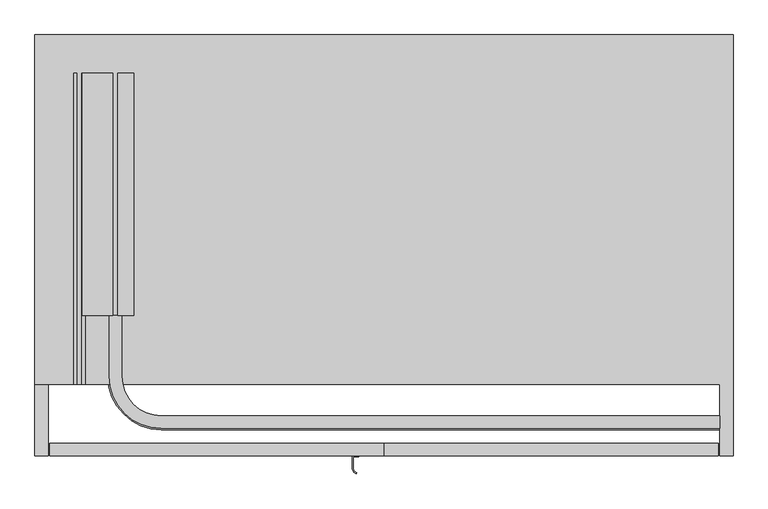
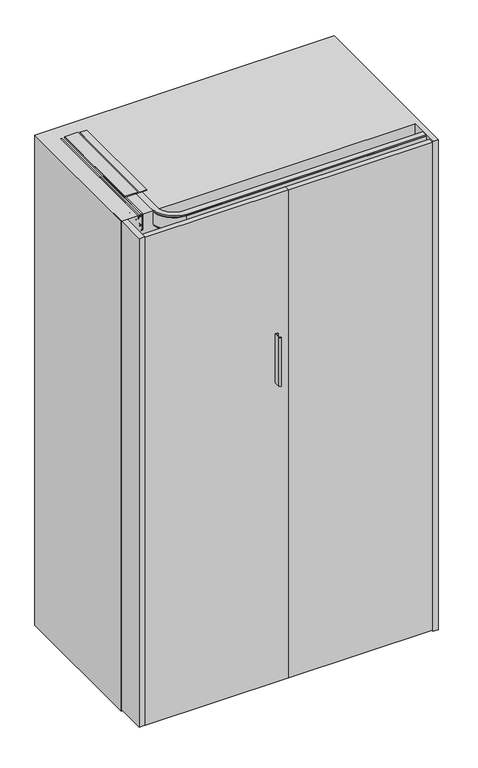
"""IFC4 building model written with IfcOpenShell, lengths in millimetres: furniture geometry."""

from ifc_helpers import new_model, si_unit, point, frame, frame_2d, origin, origin_with_axes, place, context, project, spatial, polyline, circle_curve, trimmed, segment, composite_curve, outline, extrude, faceted_brep, source, transform, mapped, element, save
from ifc_brep_helpers import plane_surface, cylinder_surface, revolved_surface, advanced_brep


def furniture_057ac0ac(model_context):
    return source(origin(), model_context, "Body", "SolidModel", [
        extrude(outline(composite_curve([segment(polyline([(346.0, -108.5), (346.0, -125.5188318)]), True, "CONTINUOUS"), segment(trimmed(circle_curve(frame_2d((352.9852814, -125.5188318)), 6.9852814), [point((346.0, -125.5188318))], [point((351.1773575, -132.2660955))], True, "CARTESIAN"), True, "CONTINUOUS"), segment(polyline([(351.1773575, -132.2660955), (350.789129, -133.7149843)]), True, "CONTINUOUS"), segment(trimmed(circle_curve(frame_2d((352.9852814, -125.5188318)), 8.4852814), [point((350.789129, -133.7149843))], [point((344.5, -125.5188318))], False, "CARTESIAN"), True, "CONTINUOUS"), segment(polyline([(344.5, -125.5188318), (344.5, -107.0), (354.5, -107.0), (354.5, -108.5), (346.0, -108.5)]), True, "CONTINUOUS")], self_intersect=False)), frame((0.0, 0.0, 1110.0), z_axis=(0.0, 0.0, 1.0), x_axis=(1.0, 0.0, 0.0)), (0.0, 0.0, 1.0), 180.0),
        extrude(outline(polyline([(1807.9932635, 18.0), (1807.9932635, -6.170682), (1804.7432635, -6.170682), (1804.7432635, -3.85), (1802.2932635, -3.85), (1802.2932635, -15.85), (1804.7432635, -15.85), (1804.7432635, -13.6), (1810.9932635, -13.6), (1810.9932635, -59.4403391), (1807.0, -56.6442259), (1807.0, -60.2560852), (1801.0432635, -60.2560852), (1801.0432635, -58.0), (1798.7432635, -58.0), (1798.7432635, -70.0), (1801.0432635, -70.0), (1801.0432635, -67.75), (1803.6432635, -67.75), (1803.6432635, -72.0), (1795.3932635, -72.0), (1795.3932635, -67.5), (1792.7432635, -67.5), (1792.7432635, -69.75), (1790.7432635, -69.75), (1790.7432635, -58.25), (1792.7432635, -58.25), (1792.7432635, -60.5), (1795.3932635, -60.5), (1795.3932635, -55.0), (1807.0, -55.0), (1807.0, -20.85), (1752.9932635, -20.85), (1752.9932635, -14.4), (1759.2932635, -8.1), (1760.7932635, -8.1), (1760.7932635, -18.1), (1798.3932635, -18.1), (1798.3932635, -3.85), (1791.8932635, -3.85), (1791.8932635, 0.0), (1804.0042028, 0.0), (1804.0042028, 18.0), (1807.9932635, 18.0)])), frame((0.0, 102.7851791, 0.0), z_axis=(0.0, 1.0, 0.0), x_axis=(0.0, 0.0, 1.0)), (0.0, 0.0, 1.0), 363.2148209),
        advanced_brep(
        [(894.0, -47.150158, 1791.899902), (894.0, -47.150158, 1807.0), (894.0, -66.000134, 1807.0), (894.0, -66.000134, 1802.2), (894.0, -68.000134, 1802.2), (894.0, -68.000134, 1757.8), (894.0, -66.000134, 1757.8), (894.0, -66.000134, 1753.0), (894.0, -61.000134, 1753.0), (894.0, -61.000134, 1757.8), (894.0, -55.250134, 1757.8), (894.0, -55.250134, 1760.8), (894.0, -65.250134, 1760.8), (894.0, -65.250134, 1798.4), (894.0, -51.050134, 1798.4), (894.0, -51.050134, 1791.899902), (-2.4e-05, 102.7851791, 1791.899902), (-3.9, 102.7851791, 1791.899902), (-3.9, 102.7851791, 1798.4), (-18.1, 102.7851791, 1798.4), (-18.1, 102.7851791, 1760.8), (-8.1, 102.7851791, 1760.8), (-8.1, 102.7851791, 1757.8), (-13.85, 102.7851791, 1757.8), (-13.85, 102.7851791, 1753.0), (-18.85, 102.7851791, 1753.0), (-18.85, 102.7851791, 1757.8), (-20.85, 102.7851791, 1757.8), (-20.85, 102.7851791, 1802.2), (-18.85, 102.7851791, 1802.2), (-18.85, 102.7851791, 1807.0), (-2.4e-05, 102.7851791, 1807.0), (59.150134, -47.150158, 1791.899902), (59.150134, -47.150158, 1807.0), (-2.4e-05, 12.0, 1807.0), (-18.85, 12.0, 1807.0), (59.150134, -66.000134, 1807.0), (59.150134, -66.000134, 1802.2), (-18.85, 12.0, 1802.2), (-20.85, 12.0, 1802.2), (59.150134, -68.000134, 1802.2), (59.150134, -68.000134, 1757.8), (-20.85, 12.0, 1757.8), (-18.85, 12.0, 1757.8), (59.150134, -66.000134, 1757.8), (59.150134, -66.000134, 1753.0), (-18.85, 12.0, 1753.0), (-13.85, 12.0, 1753.0), (59.150134, -61.000134, 1753.0), (59.150134, -61.000134, 1757.8), (-13.85, 12.0, 1757.8), (-8.1, 12.0, 1757.8), (59.150134, -55.250134, 1757.8), (59.150134, -55.250134, 1760.8), (-8.1, 12.0, 1760.8), (-18.1, 12.0, 1760.8), (59.150134, -65.250134, 1760.8), (59.150134, -65.250134, 1798.4), (-18.1, 12.0, 1798.4), (-3.9, 12.0, 1798.4), (59.150134, -51.050134, 1798.4), (59.150134, -51.050134, 1791.899902), (-3.9, 12.0, 1791.899902), (-2.4e-05, 12.0, 1791.899902)],
        [
            (0, 1),
            (1, 2),
            (2, 3),
            (3, 4),
            (4, 5),
            (5, 6),
            (6, 7),
            (7, 8),
            (8, 9),
            (9, 10),
            (10, 11),
            (11, 12),
            (12, 13),
            (13, 14),
            (14, 15),
            (15, 0),
            (16, 17),
            (17, 18),
            (18, 19),
            (19, 20),
            (20, 21),
            (21, 22),
            (22, 23),
            (23, 24),
            (24, 25),
            (25, 26),
            (26, 27),
            (27, 28),
            (28, 29),
            (29, 30),
            (30, 31),
            (31, 16),
            (0, 32),
            (32, 33),
            (33, 1),
            (33, 34, circle_curve(frame((59.150134, 12.0, 1807.0), z_axis=(0.0, 0.0, -1.0), x_axis=(0.0, -1.0, 0.0)), 59.150158)),
            (34, 31),
            (30, 35),
            (35, 36, circle_curve(frame((59.150134, 12.0, 1807.0), z_axis=(0.0, 0.0, 1.0), x_axis=(0.0, -1.0, 0.0)), 78.000134)),
            (36, 2),
            (36, 37),
            (37, 3),
            (37, 38, circle_curve(frame((59.150134, 12.0, 1802.2), z_axis=(0.0, 0.0, -1.0), x_axis=(0.0, -1.0, 0.0)), 78.000134)),
            (38, 29),
            (28, 39),
            (39, 40, circle_curve(frame((59.150134, 12.0, 1802.2), z_axis=(0.0, 0.0, 1.0), x_axis=(0.0, -1.0, 0.0)), 80.000134)),
            (40, 4),
            (40, 41),
            (41, 5),
            (41, 42, circle_curve(frame((59.150134, 12.0, 1757.8), z_axis=(0.0, 0.0, -1.0), x_axis=(0.0, -1.0, 0.0)), 80.000134)),
            (42, 27),
            (26, 43),
            (43, 44, circle_curve(frame((59.150134, 12.0, 1757.8), z_axis=(0.0, 0.0, 1.0), x_axis=(0.0, -1.0, 0.0)), 78.000134)),
            (44, 6),
            (44, 45),
            (45, 7),
            (45, 46, circle_curve(frame((59.150134, 12.0, 1753.0), z_axis=(0.0, 0.0, -1.0), x_axis=(0.0, -1.0, 0.0)), 78.000134)),
            (46, 25),
            (24, 47),
            (47, 48, circle_curve(frame((59.150134, 12.0, 1753.0), z_axis=(0.0, 0.0, 1.0), x_axis=(0.0, -1.0, 0.0)), 73.000134)),
            (48, 8),
            (48, 49),
            (49, 9),
            (49, 50, circle_curve(frame((59.150134, 12.0, 1757.8), z_axis=(0.0, 0.0, -1.0), x_axis=(0.0, -1.0, 0.0)), 73.000134)),
            (50, 23),
            (22, 51),
            (51, 52, circle_curve(frame((59.150134, 12.0, 1757.8), z_axis=(0.0, 0.0, 1.0), x_axis=(0.0, -1.0, 0.0)), 67.250134)),
            (52, 10),
            (52, 53),
            (53, 11),
            (53, 54, circle_curve(frame((59.150134, 12.0, 1760.8), z_axis=(0.0, 0.0, -1.0), x_axis=(0.0, -1.0, 0.0)), 67.250134)),
            (54, 21),
            (20, 55),
            (55, 56, circle_curve(frame((59.150134, 12.0, 1760.8), z_axis=(0.0, 0.0, 1.0), x_axis=(0.0, -1.0, 0.0)), 77.250134)),
            (56, 12),
            (56, 57),
            (57, 13),
            (57, 58, circle_curve(frame((59.150134, 12.0, 1798.4), z_axis=(0.0, 0.0, -1.0), x_axis=(0.0, -1.0, 0.0)), 77.250134)),
            (58, 19),
            (18, 59),
            (59, 60, circle_curve(frame((59.150134, 12.0, 1798.4), z_axis=(0.0, 0.0, 1.0), x_axis=(0.0, -1.0, 0.0)), 63.050134)),
            (60, 14),
            (60, 61),
            (61, 15),
            (61, 62, circle_curve(frame((59.150134, 12.0, 1791.899902), z_axis=(0.0, 0.0, -1.0), x_axis=(0.0, -1.0, 0.0)), 63.050134)),
            (62, 17),
            (16, 63),
            (63, 32, circle_curve(frame((59.150134, 12.0, 1791.899902), z_axis=(0.0, 0.0, 1.0), x_axis=(0.0, -1.0, 0.0)), 59.150158)),
            (63, 34),
            (35, 38),
            (39, 42),
            (43, 46),
            (47, 50),
            (51, 54),
            (55, 58),
            (59, 62),
        ],
        [
            plane_surface(frame((894.0, -88.0, 1807.0), z_axis=(1.0, 0.0, 0.0), x_axis=(0.0, 0.0, 1.0))),
            plane_surface(frame((-40.849866, 102.7851791, 1807.0), z_axis=(0.0, 1.0, 0.0), x_axis=(0.0, 0.0, 1.0))),
            plane_surface(frame((894.0, -47.150158, 1791.899902), z_axis=(0.0, 1.0, 0.0), x_axis=(-1.0, 0.0, 0.0))),
            plane_surface(frame((894.0, -47.150158, 1807.0), z_axis=(0.0, 0.0, 1.0), x_axis=(-1.0, 0.0, 0.0))),
            plane_surface(frame((894.0, -66.000134, 1807.0), z_axis=(0.0, -1.0, 0.0), x_axis=(-1.0, 0.0, 0.0))),
            plane_surface(frame((894.0, -66.000134, 1802.2), z_axis=(0.0, 0.0, 1.0), x_axis=(-1.0, 0.0, 0.0))),
            plane_surface(frame((894.0, -68.000134, 1802.2), z_axis=(0.0, -1.0, 0.0), x_axis=(-1.0, 0.0, 0.0))),
            plane_surface(frame((894.0, -68.000134, 1757.8), z_axis=(0.0, 0.0, -1.0), x_axis=(-1.0, 0.0, 0.0))),
            plane_surface(frame((894.0, -66.000134, 1757.8), z_axis=(0.0, -1.0, 0.0), x_axis=(-1.0, 0.0, 0.0))),
            plane_surface(frame((894.0, -66.000134, 1753.0), z_axis=(0.0, 0.0, -1.0), x_axis=(-1.0, 0.0, 0.0))),
            plane_surface(frame((894.0, -61.000134, 1753.0), z_axis=(0.0, 1.0, 0.0), x_axis=(-1.0, 0.0, 0.0))),
            plane_surface(frame((894.0, -61.000134, 1757.8), z_axis=(0.0, 0.0, -1.0), x_axis=(-1.0, 0.0, 0.0))),
            plane_surface(frame((894.0, -55.250134, 1757.8), z_axis=(0.0, 1.0, 0.0), x_axis=(-1.0, 0.0, 0.0))),
            plane_surface(frame((894.0, -55.250134, 1760.8), z_axis=(0.0, 0.0, 1.0), x_axis=(-1.0, 0.0, 0.0))),
            plane_surface(frame((894.0, -65.250134, 1760.8), z_axis=(0.0, 1.0, 0.0), x_axis=(-1.0, 0.0, 0.0))),
            plane_surface(frame((894.0, -65.250134, 1798.4), z_axis=(0.0, 0.0, -1.0), x_axis=(-1.0, 0.0, 0.0))),
            plane_surface(frame((894.0, -51.050134, 1798.4), z_axis=(0.0, -1.0, 0.0), x_axis=(-1.0, 0.0, 0.0))),
            plane_surface(frame((894.0, -51.050134, 1791.899902), z_axis=(0.0, 0.0, -1.0), x_axis=(-1.0, 0.0, 0.0))),
            revolved_surface(polyline([(59.150134, -47.150158, 1791.899902), (59.150134, -47.150158, 1807.0)]), (59.150134, 12.0, 1807.0), (0.0, 0.0, -1.0)),
            cylinder_surface(frame((59.150134, 12.0, 1807.0), z_axis=(0.0, 0.0, -1.0), x_axis=(0.0, -1.0, 0.0)), 78.000134),
            cylinder_surface(frame((59.150134, 12.0, 1807.0), z_axis=(0.0, 0.0, -1.0), x_axis=(0.0, -1.0, 0.0)), 80.000134),
            revolved_surface(polyline([(59.150134, -61.000134, 1753.0), (59.150134, -61.000134, 1757.8)]), (59.150134, 12.0, 1807.0), (0.0, 0.0, -1.0)),
            revolved_surface(polyline([(59.150134, -55.250134, 1757.8), (59.150134, -55.250134, 1760.8)]), (59.150134, 12.0, 1807.0), (0.0, 0.0, -1.0)),
            revolved_surface(polyline([(59.150134, -65.250134, 1760.8), (59.150134, -65.250134, 1798.4)]), (59.150134, 12.0, 1807.0), (0.0, 0.0, -1.0)),
            cylinder_surface(frame((59.150134, 12.0, 1807.0), z_axis=(0.0, 0.0, -1.0), x_axis=(0.0, -1.0, 0.0)), 63.050134),
            plane_surface(frame((-2.4e-05, 12.0, 1791.899902), z_axis=(1.0, 0.0, 0.0), x_axis=(0.0, 1.0, 0.0))),
            plane_surface(frame((-18.85, 12.0, 1807.0), z_axis=(-1.0, 0.0, 0.0), x_axis=(0.0, 1.0, 0.0))),
            plane_surface(frame((-20.85, 12.0, 1802.2), z_axis=(-1.0, 0.0, 0.0), x_axis=(0.0, 1.0, 0.0))),
            plane_surface(frame((-18.85, 12.0, 1757.8), z_axis=(-1.0, 0.0, 0.0), x_axis=(0.0, 1.0, 0.0))),
            plane_surface(frame((-13.85, 12.0, 1753.0), z_axis=(1.0, 0.0, 0.0), x_axis=(0.0, 1.0, 0.0))),
            plane_surface(frame((-8.1, 12.0, 1757.8), z_axis=(1.0, 0.0, 0.0), x_axis=(0.0, 1.0, 0.0))),
            plane_surface(frame((-18.1, 12.0, 1760.8), z_axis=(1.0, 0.0, 0.0), x_axis=(0.0, 1.0, 0.0))),
            plane_surface(frame((-3.9, 12.0, 1798.4), z_axis=(-1.0, 0.0, 0.0), x_axis=(0.0, 1.0, 0.0))),
        ],
        [
            (0, [[1, 2, 3, 4, 5, 6, 7, 8, 9, 10, 11, 12, 13, 14, 15, 16]]),
            (1, [[17, 18, 19, 20, 21, 22, 23, 24, 25, 26, 27, 28, 29, 30, 31, 32]]),
            (2, [[-1, 33, 34, 35]]),
            (3, [[-2, -35, 36, 37, -31, 38, 39, 40]]),
            (4, [[-3, -40, 41, 42]]),
            (5, [[-4, -42, 43, 44, -29, 45, 46, 47]]),
            (6, [[-5, -47, 48, 49]]),
            (7, [[-6, -49, 50, 51, -27, 52, 53, 54]]),
            (8, [[-7, -54, 55, 56]]),
            (9, [[-8, -56, 57, 58, -25, 59, 60, 61]]),
            (10, [[-9, -61, 62, 63]]),
            (11, [[-10, -63, 64, 65, -23, 66, 67, 68]]),
            (12, [[-11, -68, 69, 70]]),
            (13, [[-12, -70, 71, 72, -21, 73, 74, 75]]),
            (14, [[-13, -75, 76, 77]]),
            (15, [[-14, -77, 78, 79, -19, 80, 81, 82]]),
            (16, [[-15, -82, 83, 84]]),
            (17, [[-16, -84, 85, 86, -17, 87, 88, -33]]),
            (18, [[-36, -34, -88, 89]]),
            (19, [[-43, -41, -39, 90]]),
            (20, [[-50, -48, -46, 91]]),
            (19, [[-57, -55, -53, 92]]),
            (21, [[-64, -62, -60, 93]]),
            (22, [[-71, -69, -67, 94]]),
            (23, [[-78, -76, -74, 95]]),
            (24, [[-85, -83, -81, 96]]),
            (25, [[-89, -87, -32, -37]]),
            (26, [[-90, -38, -30, -44]]),
            (27, [[-91, -45, -28, -51]]),
            (28, [[-92, -52, -26, -58]]),
            (29, [[-93, -59, -24, -65]]),
            (30, [[-94, -66, -22, -72]]),
            (31, [[-95, -73, -20, -79]]),
            (32, [[-96, -80, -18, -86]]),
        ],
    ),
        extrude(outline(polyline([(892.0, -88.0), (892.0, -107.0), (392.0, -107.0), (392.0, -88.0), (892.0, -88.0)])), frame((0.0, 0.0, 5.0), z_axis=(0.0, 0.0, 1.0), x_axis=(1.0, 0.0, 0.0)), (0.0, 0.0, 1.0), 1800.0),
        extrude(outline(polyline([(-108.0, -107.0), (-108.0, -88.0), (392.0, -88.0), (392.0, -107.0), (-108.0, -107.0)])), frame((0.0, 0.0, 5.0), z_axis=(0.0, 0.0, 1.0), x_axis=(1.0, 0.0, 0.0)), (0.0, 0.0, 1.0), 1800.0),
        advanced_brep(
        [(-75.6336873, 23.1375322, 1765.724276), (-75.6336873, 23.1375322, 1733.0547299), (-63.4737348, 23.1375322, 1733.0547299), (-63.4737348, 23.1375322, 1761.3495777), (-67.2507667, 23.1375322, 1761.3495777), (-71.625465, 23.1375322, 1765.724276), (-75.6336873, 82.3672808, 1765.724276), (-71.625465, 82.3672808, 1765.724276), (-67.2507667, 82.3672808, 1761.3495777), (-63.4737348, 82.3672808, 1761.3495777), (-63.4737348, 82.3672808, 1733.0547299), (-75.6336873, 82.3672808, 1733.0547299), (-63.4737348, 33.0799821, 1758.673583), (-63.4737348, 39.5123773, 1758.673583), (-63.4737348, 39.5123773, 1754.158508), (-63.4737348, 33.0799821, 1754.158508), (-63.4737348, 26.647587, 1754.158508), (-63.4737348, 26.647587, 1758.673583), (-63.4737348, 72.4549821, 1758.673583), (-63.4737348, 78.8873773, 1758.673583), (-63.4737348, 78.8873773, 1754.158508), (-63.4737348, 72.4549821, 1754.158508), (-63.4737348, 66.022587, 1754.158508), (-63.4737348, 66.022587, 1758.673583), (-57.5, 33.0799821, 1758.673583), (-57.5, 33.0799821, 1754.158508), (-57.5, 72.4549821, 1758.673583), (-57.5, 72.4549821, 1754.158508)],
        [
            (0, 1),
            (1, 2),
            (2, 3),
            (3, 4),
            (4, 5),
            (5, 0),
            (6, 7),
            (7, 8),
            (8, 9),
            (9, 10),
            (10, 11),
            (11, 6),
            (0, 6),
            (11, 1),
            (10, 2),
            (9, 3),
            (12, 13),
            (13, 14),
            (14, 15),
            (15, 16),
            (16, 17),
            (17, 12),
            (18, 19),
            (19, 20),
            (20, 21),
            (21, 22),
            (22, 23),
            (23, 18),
            (8, 4),
            (7, 5),
            (12, 24),
            (24, 13, circle_curve(frame((-63.950003, 33.0799821, 1758.673583), z_axis=(0.0, 0.0, 1.0), x_axis=(1.0, 0.0, 0.0)), 6.450003)),
            (17, 24, circle_curve(frame((-63.950003, 33.0799821, 1758.673583), z_axis=(0.0, 0.0, 1.0), x_axis=(1.0, 0.0, 0.0)), 6.450003)),
            (25, 15),
            (14, 25, circle_curve(frame((-63.950003, 33.0799821, 1754.158508), z_axis=(0.0, 0.0, -1.0), x_axis=(1.0, 0.0, 0.0)), 6.450003)),
            (25, 16, circle_curve(frame((-63.950003, 33.0799821, 1754.158508), z_axis=(0.0, 0.0, -1.0), x_axis=(1.0, 0.0, 0.0)), 6.450003)),
            (24, 25),
            (18, 26),
            (26, 19, circle_curve(frame((-63.950003, 72.4549821, 1758.673583), z_axis=(0.0, 0.0, 1.0), x_axis=(1.0, 0.0, 0.0)), 6.450003)),
            (23, 26, circle_curve(frame((-63.950003, 72.4549821, 1758.673583), z_axis=(0.0, 0.0, 1.0), x_axis=(1.0, 0.0, 0.0)), 6.450003)),
            (27, 21),
            (20, 27, circle_curve(frame((-63.950003, 72.4549821, 1754.158508), z_axis=(0.0, 0.0, -1.0), x_axis=(1.0, 0.0, 0.0)), 6.450003)),
            (27, 22, circle_curve(frame((-63.950003, 72.4549821, 1754.158508), z_axis=(0.0, 0.0, -1.0), x_axis=(1.0, 0.0, 0.0)), 6.450003)),
            (26, 27),
        ],
        [
            plane_surface(frame((-75.6336873, 23.1375322, 1765.724276), z_axis=(0.0, -1.0, 0.0), x_axis=(0.0, 0.0, -1.0))),
            plane_surface(frame((-75.6336873, 82.3672808, 1765.724276), z_axis=(0.0, 1.0, 0.0), x_axis=(0.0, 0.0, 1.0))),
            plane_surface(frame((-75.6336873, 23.1375322, 1765.724276), z_axis=(-1.0, 0.0, 0.0), x_axis=(0.0, 1.0, 0.0))),
            plane_surface(frame((-75.6336873, 23.1375322, 1733.0547299), z_axis=(0.0, 0.0, -1.0), x_axis=(0.0, 1.0, 0.0))),
            plane_surface(frame((-63.4737348, 23.1375322, 1733.0547299), z_axis=(1.0, 0.0, 0.0), x_axis=(0.0, 1.0, 0.0))),
            plane_surface(frame((-63.4737348, 23.1375322, 1761.3495777), z_axis=(0.0, 0.0, 1.0), x_axis=(0.0, 1.0, 0.0))),
            plane_surface(frame((-67.2507667, 23.1375322, 1761.3495777), z_axis=(0.7071067811865492, 0.0, 0.7071067811865459), x_axis=(0.0, 1.0, 0.0))),
            plane_surface(frame((-71.625465, 23.1375322, 1765.724276), z_axis=(0.0, 0.0, 1.0), x_axis=(0.0, 1.0, 0.0))),
            plane_surface(frame((-63.950003, 33.0799821, 1758.673583), z_axis=(0.0, 0.0, 1.0), x_axis=(1.0, 0.0, 0.0))),
            plane_surface(frame((-63.950003, 33.0799821, 1754.158508), z_axis=(0.0, 0.0, -1.0), x_axis=(1.0, 0.0, 0.0))),
            cylinder_surface(frame((-63.950003, 33.0799821, 1759.795738), z_axis=(0.0, 0.0, 1.0), x_axis=(1.0, 0.0, 0.0)), 6.450003),
            plane_surface(frame((-63.950003, 72.4549821, 1758.673583), z_axis=(0.0, 0.0, 1.0), x_axis=(1.0, 0.0, 0.0))),
            plane_surface(frame((-63.950003, 72.4549821, 1754.158508), z_axis=(0.0, 0.0, -1.0), x_axis=(1.0, 0.0, 0.0))),
            cylinder_surface(frame((-63.950003, 72.4549821, 1759.795738), z_axis=(0.0, 0.0, 1.0), x_axis=(1.0, 0.0, 0.0)), 6.450003),
        ],
        [
            (0, [[1, 2, 3, 4, 5, 6]]),
            (1, [[7, 8, 9, 10, 11, 12]]),
            (2, [[-1, 13, -12, 14]]),
            (3, [[-2, -14, -11, 15]]),
            (4, [[-3, -15, -10, 16], [17, 18, 19, 20, 21, 22], [23, 24, 25, 26, 27, 28]]),
            (5, [[-4, -16, -9, 29]]),
            (6, [[-5, -29, -8, 30]]),
            (7, [[-6, -30, -7, -13]]),
            (8, [[31, 32, -17]]),
            (8, [[-31, -22, 33]]),
            (9, [[34, -19, 35]]),
            (9, [[-34, 36, -20]]),
            (10, [[37, -35, -18, -32]]),
            (10, [[-37, -33, -21, -36]]),
            (11, [[38, 39, -23]]),
            (11, [[-38, -28, 40]]),
            (12, [[41, -25, 42]]),
            (12, [[-41, 43, -26]]),
            (13, [[44, -42, -24, -39]]),
            (13, [[-44, -40, -27, -43]]),
        ],
    ),
        advanced_brep(
        [(-67.900202, 72.4549821, 1784.308626), (-67.900202, 72.4549821, 1769.308626), (-67.900202, 72.4549821, 1799.308626), (-66.9872489, 72.4549821, 1769.308626), (-66.9872489, 72.4549821, 1799.308626), (-59.900202, 72.4549821, 1799.308626), (-59.900202, 72.4549821, 1769.308626), (-59.900202, 72.4549821, 1779.2712731), (-59.900202, 72.4549821, 1789.3459789), (-58.400202, 72.4549821, 1780.3215844), (-58.400202, 72.4549821, 1788.2956676), (-58.400202, 72.4549821, 1784.308626), (-60.9142761, 72.4549821, 1799.308626), (-60.9142761, 72.4549821, 1769.308626), (-62.91385, 72.4549821, 1797.3090521), (-62.91385, 72.4549821, 1771.3081999), (-64.9876751, 72.4549821, 1797.3090521), (-64.9876751, 72.4549821, 1771.3081999)],
        [
            (0, 1),
            (1, 2, circle_curve(frame((-67.900202, 72.4549821, 1784.308626), z_axis=(-1.0, 0.0, 0.0), x_axis=(0.0, 0.0, -1.0)), 15.0)),
            (2, 0),
            (2, 1, circle_curve(frame((-67.900202, 72.4549821, 1784.308626), z_axis=(-1.0, 0.0, 0.0), x_axis=(0.0, 0.0, -1.0)), 15.0)),
            (1, 3),
            (3, 4, circle_curve(frame((-66.9872489, 72.4549821, 1784.308626), z_axis=(-1.0, 0.0, 0.0), x_axis=(0.0, 0.0, -1.0)), 15.0)),
            (4, 2),
            (4, 3, circle_curve(frame((-66.9872489, 72.4549821, 1784.308626), z_axis=(-1.0, 0.0, 0.0), x_axis=(0.0, 0.0, -1.0)), 15.0)),
            (5, 6, circle_curve(frame((-59.900202, 72.4549821, 1784.308626), z_axis=(1.0, 0.0, 0.0), x_axis=(0.0, 0.0, -1.0)), 15.0)),
            (6, 7),
            (7, 8, circle_curve(frame((-59.900202, 72.4549821, 1784.308626), z_axis=(-1.0, 0.0, 0.0), x_axis=(0.0, 0.0, -1.0)), 5.0373529)),
            (8, 5),
            (6, 5, circle_curve(frame((-59.900202, 72.4549821, 1784.308626), z_axis=(1.0, 0.0, 0.0), x_axis=(0.0, 0.0, -1.0)), 15.0)),
            (8, 7, circle_curve(frame((-59.900202, 72.4549821, 1784.308626), z_axis=(-1.0, 0.0, 0.0), x_axis=(0.0, 0.0, -1.0)), 5.0373529)),
            (7, 9),
            (9, 10, circle_curve(frame((-58.400202, 72.4549821, 1784.308626), z_axis=(-1.0, 0.0, 0.0), x_axis=(0.0, 0.0, -1.0)), 3.9870416)),
            (10, 8),
            (10, 9, circle_curve(frame((-58.400202, 72.4549821, 1784.308626), z_axis=(-1.0, 0.0, 0.0), x_axis=(0.0, 0.0, -1.0)), 3.9870416)),
            (9, 11),
            (11, 10),
            (12, 13, circle_curve(frame((-60.9142761, 72.4549821, 1784.308626), z_axis=(1.0, 0.0, 0.0), x_axis=(0.0, 0.0, -1.0)), 15.0)),
            (13, 6),
            (5, 12),
            (13, 12, circle_curve(frame((-60.9142761, 72.4549821, 1784.308626), z_axis=(1.0, 0.0, 0.0), x_axis=(0.0, 0.0, -1.0)), 15.0)),
            (14, 15, circle_curve(frame((-62.91385, 72.4549821, 1784.308626), z_axis=(1.0, 0.0, 0.0), x_axis=(0.0, 0.0, -1.0)), 13.0004261)),
            (15, 13),
            (12, 14),
            (15, 14, circle_curve(frame((-62.91385, 72.4549821, 1784.308626), z_axis=(1.0, 0.0, 0.0), x_axis=(0.0, 0.0, -1.0)), 13.0004261)),
            (16, 17, circle_curve(frame((-64.9876751, 72.4549821, 1784.308626), z_axis=(1.0, 0.0, 0.0), x_axis=(0.0, 0.0, -1.0)), 13.0004261)),
            (17, 15),
            (14, 16),
            (17, 16, circle_curve(frame((-64.9876751, 72.4549821, 1784.308626), z_axis=(1.0, 0.0, 0.0), x_axis=(0.0, 0.0, -1.0)), 13.0004261)),
            (3, 17),
            (16, 4),
        ],
        [
            plane_surface(frame((-67.900202, 72.4549821, 1784.308626), z_axis=(-1.0, 0.0, 0.0), x_axis=(0.0, 0.0, -1.0))),
            cylinder_surface(frame((-58.400202, 72.4549821, 1784.308626), z_axis=(-1.0, 0.0, 0.0), x_axis=(0.0, 0.0, -1.0)), 15.0),
            plane_surface(frame((-59.900202, 72.4549821, 1784.308626), z_axis=(1.0, 0.0, 0.0), x_axis=(0.0, 0.0, -1.0))),
            revolved_surface(polyline([(-58.400202, 72.4549821, 1780.3215844), (-59.900202, 72.4549821, 1779.2712731)]), (-58.400202, 72.4549821, 1784.308626), (-1.0, 0.0, 0.0)),
            plane_surface(frame((-58.400202, 72.4549821, 1784.308626), z_axis=(1.0, 0.0, 0.0), x_axis=(0.0, 0.0, -1.0))),
            revolved_surface(polyline([(-60.9142761, 72.4549821, 1769.308626), (-62.91385, 72.4549821, 1771.3081999)]), (-58.400202, 72.4549821, 1784.308626), (-1.0, 0.0, 0.0)),
            cylinder_surface(frame((-58.400202, 72.4549821, 1784.308626), z_axis=(-1.0, 0.0, 0.0), x_axis=(0.0, 0.0, -1.0)), 13.0004261),
            revolved_surface(polyline([(-64.9876751, 72.4549821, 1771.3081999), (-66.9872489, 72.4549821, 1769.308626)]), (-58.400202, 72.4549821, 1784.308626), (-1.0, 0.0, 0.0)),
        ],
        [
            (0, [[1, 2, 3]]),
            (0, [[-3, 4, -1]]),
            (1, [[-2, 5, 6, 7]]),
            (1, [[-4, -7, 8, -5]]),
            (2, [[9, 10, 11, 12]]),
            (2, [[13, -12, 14, -10]]),
            (3, [[-11, 15, 16, 17]]),
            (3, [[-14, -17, 18, -15]]),
            (4, [[-16, 19, 20]]),
            (4, [[-18, -20, -19]]),
            (1, [[21, 22, -9, 23]]),
            (1, [[24, -23, -13, -22]]),
            (5, [[25, 26, -21, 27]]),
            (5, [[28, -27, -24, -26]]),
            (6, [[29, 30, -25, 31]]),
            (6, [[32, -31, -28, -30]]),
            (7, [[-6, 33, -29, 34]]),
            (7, [[-8, -34, -32, -33]]),
        ],
    ),
        extrude(outline(polyline([(-67.4751845, 70.1923392), (-67.4751845, 73.7061401), (-64.9743712, 73.7061401), (-64.9743712, 66.9001293), (-66.8013734, 65.0731271), (-66.8013734, 51.486783), (-64.9743712, 49.6597808), (-64.9743712, 42.7986729), (-67.4751845, 42.7986729), (-67.4751845, 46.3764149), (-68.7451872, 46.3764149), (-70.714577, 48.3458047), (-70.714577, 68.3458047), (-68.8680425, 70.1923392), (-67.4751845, 70.1923392)])), frame((0.0, 0.0, 1714.5347501), z_axis=(0.0, 0.0, 1.0), x_axis=(1.0, 0.0, 0.0)), (0.0, 0.0, 1.0), 18.5199799),
        extrude(outline(polyline([(-67.7993712, 44.5272199), (-73.2501515, 44.5272199), (-73.2501515, 60.9375972), (-67.7993712, 60.9375972), (-67.7993712, 44.5272199)])), frame((0.0, 0.0, 1761.3495777), z_axis=(0.0, 0.0, 1.0), x_axis=(1.0, 0.0, 0.0)), (0.0, 0.0, 1.0), 16.9521965),
        advanced_brep(
        [(-67.900202, 33.0799821, 1784.125), (-67.900202, 33.0799821, 1769.125), (-67.900202, 33.0799821, 1799.125), (-66.9872489, 33.0799821, 1769.125), (-66.9872489, 33.0799821, 1799.125), (-59.900202, 33.0799821, 1799.125), (-59.900202, 33.0799821, 1769.125), (-59.900202, 33.0799821, 1779.0876471), (-59.900202, 33.0799821, 1789.1623529), (-58.400202, 33.0799821, 1780.1379584), (-58.400202, 33.0799821, 1788.1120416), (-58.400202, 33.0799821, 1784.125), (-60.9142761, 33.0799821, 1799.125), (-60.9142761, 33.0799821, 1769.125), (-62.91385, 33.0799821, 1797.1254261), (-62.91385, 33.0799821, 1771.1245739), (-64.9876751, 33.0799821, 1797.1254261), (-64.9876751, 33.0799821, 1771.1245739)],
        [
            (0, 1),
            (1, 2, circle_curve(frame((-67.900202, 33.0799821, 1784.125), z_axis=(-1.0, 0.0, 0.0), x_axis=(0.0, 0.0, -1.0)), 15.0)),
            (2, 0),
            (2, 1, circle_curve(frame((-67.900202, 33.0799821, 1784.125), z_axis=(-1.0, 0.0, 0.0), x_axis=(0.0, 0.0, -1.0)), 15.0)),
            (1, 3),
            (3, 4, circle_curve(frame((-66.9872489, 33.0799821, 1784.125), z_axis=(-1.0, 0.0, 0.0), x_axis=(0.0, 0.0, -1.0)), 15.0)),
            (4, 2),
            (4, 3, circle_curve(frame((-66.9872489, 33.0799821, 1784.125), z_axis=(-1.0, 0.0, 0.0), x_axis=(0.0, 0.0, -1.0)), 15.0)),
            (5, 6, circle_curve(frame((-59.900202, 33.0799821, 1784.125), z_axis=(1.0, 0.0, 0.0), x_axis=(0.0, 0.0, -1.0)), 15.0)),
            (6, 7),
            (7, 8, circle_curve(frame((-59.900202, 33.0799821, 1784.125), z_axis=(-1.0, 0.0, 0.0), x_axis=(0.0, 0.0, -1.0)), 5.0373529)),
            (8, 5),
            (6, 5, circle_curve(frame((-59.900202, 33.0799821, 1784.125), z_axis=(1.0, 0.0, 0.0), x_axis=(0.0, 0.0, -1.0)), 15.0)),
            (8, 7, circle_curve(frame((-59.900202, 33.0799821, 1784.125), z_axis=(-1.0, 0.0, 0.0), x_axis=(0.0, 0.0, -1.0)), 5.0373529)),
            (7, 9),
            (9, 10, circle_curve(frame((-58.400202, 33.0799821, 1784.125), z_axis=(-1.0, 0.0, 0.0), x_axis=(0.0, 0.0, -1.0)), 3.9870416)),
            (10, 8),
            (10, 9, circle_curve(frame((-58.400202, 33.0799821, 1784.125), z_axis=(-1.0, 0.0, 0.0), x_axis=(0.0, 0.0, -1.0)), 3.9870416)),
            (9, 11),
            (11, 10),
            (12, 13, circle_curve(frame((-60.9142761, 33.0799821, 1784.125), z_axis=(1.0, 0.0, 0.0), x_axis=(0.0, 0.0, -1.0)), 15.0)),
            (13, 6),
            (5, 12),
            (13, 12, circle_curve(frame((-60.9142761, 33.0799821, 1784.125), z_axis=(1.0, 0.0, 0.0), x_axis=(0.0, 0.0, -1.0)), 15.0)),
            (14, 15, circle_curve(frame((-62.91385, 33.0799821, 1784.125), z_axis=(1.0, 0.0, 0.0), x_axis=(0.0, 0.0, -1.0)), 13.0004261)),
            (15, 13),
            (12, 14),
            (15, 14, circle_curve(frame((-62.91385, 33.0799821, 1784.125), z_axis=(1.0, 0.0, 0.0), x_axis=(0.0, 0.0, -1.0)), 13.0004261)),
            (16, 17, circle_curve(frame((-64.9876751, 33.0799821, 1784.125), z_axis=(1.0, 0.0, 0.0), x_axis=(0.0, 0.0, -1.0)), 13.0004261)),
            (17, 15),
            (14, 16),
            (17, 16, circle_curve(frame((-64.9876751, 33.0799821, 1784.125), z_axis=(1.0, 0.0, 0.0), x_axis=(0.0, 0.0, -1.0)), 13.0004261)),
            (3, 17),
            (16, 4),
        ],
        [
            plane_surface(frame((-67.900202, 33.0799821, 1784.125), z_axis=(-1.0, 0.0, 0.0), x_axis=(0.0, 0.0, -1.0))),
            cylinder_surface(frame((-58.400202, 33.0799821, 1784.125), z_axis=(-1.0, 0.0, 0.0), x_axis=(0.0, 0.0, -1.0)), 15.0),
            plane_surface(frame((-59.900202, 33.0799821, 1784.125), z_axis=(1.0, 0.0, 0.0), x_axis=(0.0, 0.0, -1.0))),
            revolved_surface(polyline([(-58.400202, 33.0799821, 1780.1379584), (-59.900202, 33.0799821, 1779.0876471)]), (-58.400202, 33.0799821, 1784.125), (-1.0, 0.0, 0.0)),
            plane_surface(frame((-58.400202, 33.0799821, 1784.125), z_axis=(1.0, 0.0, 0.0), x_axis=(0.0, 0.0, -1.0))),
            revolved_surface(polyline([(-60.9142761, 33.0799821, 1769.125), (-62.91385, 33.0799821, 1771.1245739)]), (-58.400202, 33.0799821, 1784.125), (-1.0, 0.0, 0.0)),
            cylinder_surface(frame((-58.400202, 33.0799821, 1784.125), z_axis=(-1.0, 0.0, 0.0), x_axis=(0.0, 0.0, -1.0)), 13.0004261),
            revolved_surface(polyline([(-64.9876751, 33.0799821, 1771.1245739), (-66.9872489, 33.0799821, 1769.125)]), (-58.400202, 33.0799821, 1784.125), (-1.0, 0.0, 0.0)),
        ],
        [
            (0, [[1, 2, 3]]),
            (0, [[-3, 4, -1]]),
            (1, [[-2, 5, 6, 7]]),
            (1, [[-4, -7, 8, -5]]),
            (2, [[9, 10, 11, 12]]),
            (2, [[13, -12, 14, -10]]),
            (3, [[-11, 15, 16, 17]]),
            (3, [[-14, -17, 18, -15]]),
            (4, [[-16, 19, 20]]),
            (4, [[-18, -20, -19]]),
            (1, [[21, 22, -9, 23]]),
            (1, [[24, -23, -13, -22]]),
            (5, [[25, 26, -21, 27]]),
            (5, [[28, -27, -24, -26]]),
            (6, [[29, 30, -25, 31]]),
            (6, [[32, -31, -28, -30]]),
            (7, [[-6, 33, -29, 34]]),
            (7, [[-8, -34, -32, -33]]),
        ],
    ),
        extrude(outline(polyline([(-67.7993712, 18.5522242), (-75.365636, 18.5522242), (-75.365636, 86.9089943), (-67.7993712, 86.9089943), (-67.7993712, 18.5522242)])), frame((0.0, 0.0, 1778.3017742), z_axis=(0.0, 0.0, 1.0), x_axis=(1.0, 0.0, 0.0)), (0.0, 0.0, 1.0), 11.7055952),
        extrude(outline(polyline([(19.0, -72.0), (0.0, -72.0), (0.0, -67.75), (2.25, -67.75), (2.25, -70.0), (4.9, -70.0), (4.9, -58.0), (2.25, -58.0), (2.25, -60.25), (0.0, -60.25), (0.0, -55.0), (58.5663764, -55.0), (59.0913089, -61.0), (56.1547673, -61.0), (56.1547673, -57.5), (40.5, -57.5), (40.5, -61.0), (37.5, -61.0), (37.5, -58.0104888), (7.5, -58.0104888), (7.5, -70.0), (19.0, -70.0), (19.0, -72.0)])), frame((0.0, 0.0, 0.0), z_axis=(0.0, 1.0, 0.0), x_axis=(0.0, 0.0, 1.0)), (0.0, 0.0, 1.0), 466.0),
        extrude(outline(composite_curve([segment(polyline([(1795.0, -70.0), (1799.5, -70.0), (1799.5, -58.0104888), (1768.5, -58.0104888), (1768.5, -61.2084017)]), True, "CONTINUOUS"), segment(trimmed(circle_curve(frame_2d((1767.9551158, -63.95)), 2.7952209), [point((1768.5, -61.2084017))], [point((1769.1, -66.5))], False, "CARTESIAN"), True, "CONTINUOUS"), segment(polyline([(1769.1, -66.5), (1766.0, -66.5), (1766.0, -57.5), (1750.8452327, -57.5), (1750.8452327, -61.0), (1747.9086911, -61.0), (1748.4336236, -55.0), (1807.0, -55.0), (1807.0, -60.25), (1804.75, -60.25), (1804.75, -58.0), (1802.1, -58.0), (1802.1, -70.0), (1804.75, -70.0), (1804.75, -67.75), (1807.0, -67.75), (1807.0, -72.0), (1795.0, -72.0), (1795.0, -70.0)]), True, "CONTINUOUS")], self_intersect=False)), frame((0.0, 0.0, 0.0), z_axis=(0.0, 1.0, 0.0), x_axis=(0.0, 0.0, 1.0)), (0.0, 0.0, 1.0), 466.0),
        faceted_brep([(-70.8313044, 49.5061401, 35.9), (-70.8313044, 73.7061401, 35.9), (-70.8313044, 73.7061401, 23.9), (-70.8313044, 49.5061401, 23.9), (-68.8052444, 73.7061401, 35.9), (-68.8052444, 49.5061401, 35.9), (-68.8052444, 49.5061401, 23.9), (-68.8052444, 73.7061401, 23.9), (-69.2052444, 73.7061401, 23.9), (-69.2052444, 73.7061401, 21.301924), (-69.2052444, 49.5061401, 21.301924), (-69.2052444, 49.5061401, 23.9), (-65.2052444, 86.5061401, 23.9), (-69.2052444, 82.5061401, 23.9), (-69.2052444, 40.5061401, 23.9), (-65.2052444, 36.5061401, 23.9), (-62.8052444, 36.5061401, 23.9), (-58.8052444, 40.5061401, 23.9), (-58.8052444, 82.5254862, 23.9), (-62.7858983, 86.5061401, 23.9), (-58.8052444, 75.0061401, 11.0920874), (-58.8052444, 47.8601898, 11.0920874), (-69.2052444, 47.8601898, 11.0920874), (-69.2052444, 75.0061401, 11.0920874), (-65.2052444, 86.5061401, 16.45), (-69.2052444, 82.5061401, 16.45), (-69.2052444, 47.8601898, 16.45), (-69.2052444, 40.5061401, 16.45), (-69.2052444, 75.0061401, 16.45), (-69.2052444, 69.0061401, 17.2), (-69.2052444, 54.0061401, 17.2), (-69.2052444, 54.0061401, 13.4378021), (-69.2052444, 69.0061401, 13.4378021), (-65.2052444, 36.5061401, 16.45), (-62.8052444, 36.5061401, 16.45), (-58.8052444, 40.5061401, 16.45), (-58.8052444, 47.8601898, 16.45), (-58.8052444, 75.0061401, 16.45), (-58.8052444, 82.5254862, 16.45), (-58.8052444, 54.0061401, 17.2), (-58.8052444, 69.0061401, 17.2), (-58.8052444, 69.0061401, 13.4378021), (-58.8052444, 54.0061401, 13.4378021), (-62.7858983, 86.5061401, 16.45)], [[[0, 1, 2, 3]], [[4, 5, 6, 7]], [[1, 0, 5, 4]], [[1, 4, 7, 8, 9, 2]], [[5, 0, 3, 10, 11, 6]], [[3, 2, 9, 10]], [[12, 13, 8, 7, 6, 11, 14, 15, 16, 17, 18, 19]], [[20, 21, 22, 23]], [[13, 12, 24, 25]], [[23, 22, 26, 27, 14, 11, 10, 9, 8, 13, 25, 28], [29, 30, 31, 32]], [[15, 14, 27, 33]], [[16, 15, 33, 34]], [[17, 16, 34, 35]], [[18, 17, 35, 36, 21, 20, 37, 38], [39, 40, 41, 42]], [[19, 18, 38, 43]], [[12, 19, 43, 24]], [[37, 28, 25, 24, 43, 38]], [[28, 37, 20, 23]], [[29, 40, 39, 30]], [[40, 29, 32, 41]], [[30, 39, 42, 31]], [[26, 36, 35, 34, 33, 27]], [[36, 26, 22, 21]], [[41, 32, 31, 42]]]),
        extrude(outline(composite_curve([segment(trimmed(circle_curve(frame_2d((-64.0052444, 42.1831649)), 5.75), [point((-64.0052444, 47.9331649))], [point((-64.0052444, 36.4331649))], False, "CARTESIAN"), True, "CONTINUOUS"), segment(trimmed(circle_curve(frame_2d((-64.0052444, 42.1831649)), 5.75), [point((-64.0052444, 36.4331649))], [point((-64.0052444, 47.9331649))], False, "CARTESIAN"), True, "CONTINUOUS")], self_intersect=False)), frame((0.0, 0.0, 8.65), z_axis=(0.0, 0.0, 1.0), x_axis=(1.0, 0.0, 0.0)), (0.0, 0.0, 1.0), 7.3),
        extrude(outline(composite_curve([segment(trimmed(circle_curve(frame_2d((-64.0052444, 61.5061401)), 5.75), [point((-64.0052444, 67.2561401))], [point((-64.0052444, 55.7561401))], False, "CARTESIAN"), True, "CONTINUOUS"), segment(trimmed(circle_curve(frame_2d((-64.0052444, 61.5061401)), 5.75), [point((-64.0052444, 55.7561401))], [point((-64.0052444, 67.2561401))], False, "CARTESIAN"), True, "CONTINUOUS")], self_intersect=False)), frame((0.0, 0.0, 13.4378021), z_axis=(0.0, 0.0, 1.0), x_axis=(1.0, 0.0, 0.0)), (0.0, 0.0, 1.0), 3.7621979),
        extrude(outline(composite_curve([segment(trimmed(circle_curve(frame_2d((-64.0052444, 80.7561401)), 5.75), [point((-64.0052444, 86.5061401))], [point((-64.0052444, 75.0061401))], False, "CARTESIAN"), True, "CONTINUOUS"), segment(trimmed(circle_curve(frame_2d((-64.0052444, 80.7561401)), 5.75), [point((-64.0052444, 75.0061401))], [point((-64.0052444, 86.5061401))], False, "CARTESIAN"), True, "CONTINUOUS")], self_intersect=False)), frame((0.0, 0.0, 8.65), z_axis=(0.0, 0.0, 1.0), x_axis=(1.0, 0.0, 0.0)), (0.0, 0.0, 1.0), 7.3),
        extrude(outline(polyline([(-8.4980052, 11.2885509), (-8.4980052, 24.9437822), (-1.5019948, 24.9437822), (-1.5019948, 11.2885509), (-2.9019839, 8.7447792), (-2.9019839, -8.7447792), (-1.5019948, -11.2885509), (-1.5019948, -24.9437822), (-8.4980052, -24.9437822), (-8.4980052, -11.2885509), (-7.0980161, -8.7447792), (-7.0980161, 8.7447792), (-8.4980052, 11.2885509)])), frame((-85.0, 436.0, 265.0), z_axis=(0.0, -0.4202583531953484, 0.9074044944618326), x_axis=(1.0, 0.0, 0.0)), (0.0, 0.0, 1.0), 900.0),
        extrude(outline(polyline([(1.5019948, -11.2885509), (2.9019839, -8.7447792), (2.9019839, 8.7447792), (1.5019948, 11.2885509), (1.5019948, 24.9437823), (8.4980052, 24.9437823), (8.4980052, 11.2885509), (7.0980161, 8.7447792), (7.0980161, -8.7447792), (8.4980052, -11.2885509), (8.4980052, -24.9437822), (1.5019948, -24.9437822), (1.5019948, -11.2885509)])), frame((-85.0, 57.7674821, 348.335955), z_axis=(0.0, 0.4202583531953475, 0.907404494461833), x_axis=(1.0, 0.0, 0.0)), (0.0, 0.0, 1.0), 900.0),
        extrude(outline(polyline([(-69.6, 76.0), (-61.85, 76.0), (-61.85, 38.0), (-63.85, 36.0), (-66.1, 36.0), (-67.6, 34.5), (-67.6, 28.5720943), (-64.1, 30.5928201), (-64.1, 25.0), (-65.1, 25.0), (-66.1, 26.0), (-69.7999998, 26.0), (-70.99707, 29.2889243), (-76.16538, 27.407813), (-80.2566983, 25.5), (-84.1, 25.5), (-84.1, 23.2), (-81.3, 23.2), (-81.3, 21.5), (-86.6, 21.5), (-86.6, 28.0), (-81.35, 28.0), (-78.35, 31.0), (-78.35, 39.5), (-69.6, 39.5), (-69.6, 44.3), (-67.2, 44.3), (-67.2, 40.8), (-64.6, 40.8), (-64.6, 48.5), (-65.6, 49.5), (-65.6, 63.5), (-64.6, 64.5), (-64.6, 72.2), (-67.2, 72.2), (-67.2, 68.7), (-69.6, 68.7), (-69.6, 76.0)])), frame((0.0, 0.0, 23.9), z_axis=(0.0, 0.0, 1.0), x_axis=(1.0, 0.0, 0.0)), (0.0, 0.0, 1.0), 1708.9704202),
        extrude(outline(polyline([(894.0, 0.0), (-130.0, 0.0), (-130.0, 523.0), (914.0, 523.0), (914.0, -107.0), (894.0, -107.0), (894.0, 0.0)])), origin_with_axes(), (0.0, 0.0, 1.0), 1807.0),
        extrude(outline(polyline([(-130.0, 523.0), (-110.0, 523.0), (-110.0, -107.0), (-130.0, -107.0), (-130.0, 523.0)])), frame((0.0, 0.0, 5.0), z_axis=(0.0, 0.0, 1.0), x_axis=(1.0, 0.0, 0.0)), (0.0, 0.0, 1.0), 1802.0),
    ])


if __name__ == "__main__":
    model = new_model("IFC4")
    model_context = context("Model", 3, world=origin())
    ifc_project = project(units=[si_unit("LENGTHUNIT", "METRE", prefix="MILLI")], contexts=[model_context])
    site = spatial("IfcSite", under=ifc_project)
    building = spatial("IfcBuilding", under=site)
    placement = place(None, origin())
    furniture_shape = furniture_057ac0ac(model_context)
    element("IfcFurniture", 1, at=placement, inside=building, context=model_context, shape_type="MappedRepresentation", body=[
        mapped(furniture_shape, transform((0.0, 0.0, 0.0), x_axis=(1.0, 0.0, 0.0), y_axis=(0.0, 1.0, 0.0), z_axis=(0.0, 0.0, 1.0))),
    ])
    save(model, "model.ifc")
